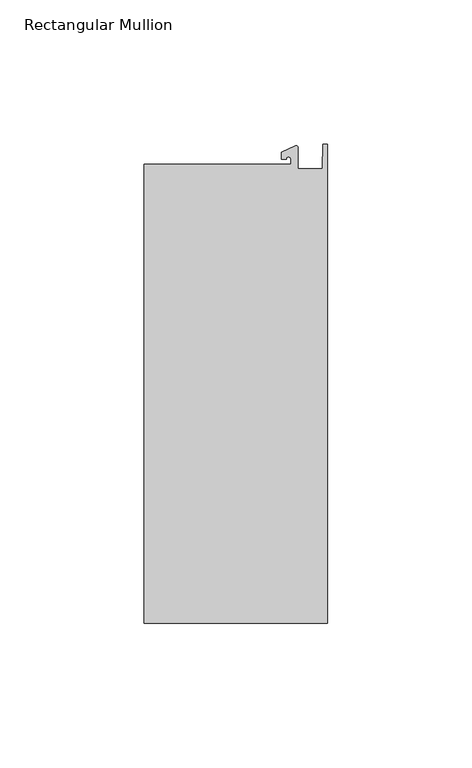
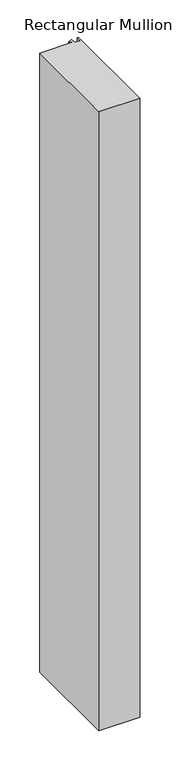
"""IFC4 building model written with IfcOpenShell, lengths in millimetres: member geometry, Rectangular Mullion."""

from ifc_helpers import new_model, si_unit, point, frame, frame_2d, origin, place, context, project, spatial, polyline, circle_curve, trimmed, segment, composite_curve, outline, extrude, source, transform, mapped, element, save


def rectangular_mullion_3c74b304(model_context):
    return source(origin(), model_context, "Body", "SweptSolid", [
        extrude(outline(composite_curve([segment(polyline([(-12.6979967, 25.4849312), (-12.6979967, 27.2067741)]), True, "CONTINUOUS"), segment(trimmed(circle_curve(frame_2d((-13.4917467, 27.2067741)), 0.79375), [point((-12.6979967, 27.2067741))], [point((-14.2854967, 27.2067741))], True, "CARTESIAN"), True, "CONTINUOUS"), segment(polyline([(-14.2854967, 27.2067741), (-15.8729967, 27.2067741), (-15.8729967, 29.5689734), (-11.0330867, 31.8258605)]), True, "CONTINUOUS"), segment(trimmed(circle_curve(frame_2d((-10.8183967, 31.3654561)), 0.508), [point((-11.0330867, 31.8258605))], [point((-10.3103967, 31.3654561))], False, "CARTESIAN"), True, "CONTINUOUS"), segment(polyline([(-10.3103967, 31.3654561), (-10.3103967, 23.9227662), (-1.7144124, 23.9227662), (-1.5658966, 32.288874), (0.0, 32.288874), (0.0, -133.4428688), (-63.5, -133.4428688), (-63.5, 25.4849312), (-12.6979967, 25.4849312)]), True, "CONTINUOUS")], self_intersect=False)), frame((0.0, 0.0, -1016.0), z_axis=(0.0, 0.0, 1.0), x_axis=(1.0, 0.0, 0.0)), (0.0, 0.0, 1.0), 1016.0),
    ])


if __name__ == "__main__":
    model = new_model("IFC4")
    model_context = context("Model", 3, world=origin())
    ifc_project = project(units=[si_unit("LENGTHUNIT", "METRE", prefix="MILLI")], contexts=[model_context])
    site = spatial("IfcSite", under=ifc_project)
    building = spatial("IfcBuilding", under=site)
    placement = place(None, origin())
    rectangular_mullion_shape = rectangular_mullion_3c74b304(model_context)
    element("IfcMember", 1, ObjectType="Rectangular Mullion", at=placement, inside=building, context=model_context, shape_type="MappedRepresentation", body=[
        mapped(rectangular_mullion_shape, transform((0.0, 0.0, 0.0), x_axis=(1.0, 0.0, 0.0), y_axis=(0.0, 1.0, 0.0), z_axis=(0.0, 0.0, 1.0))),
    ])
    save(model, "model.ifc")
